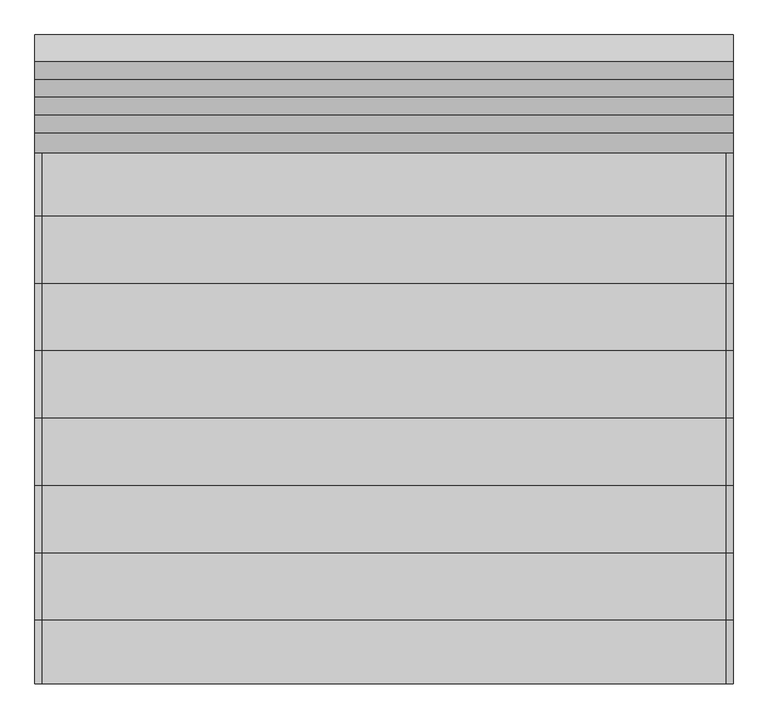
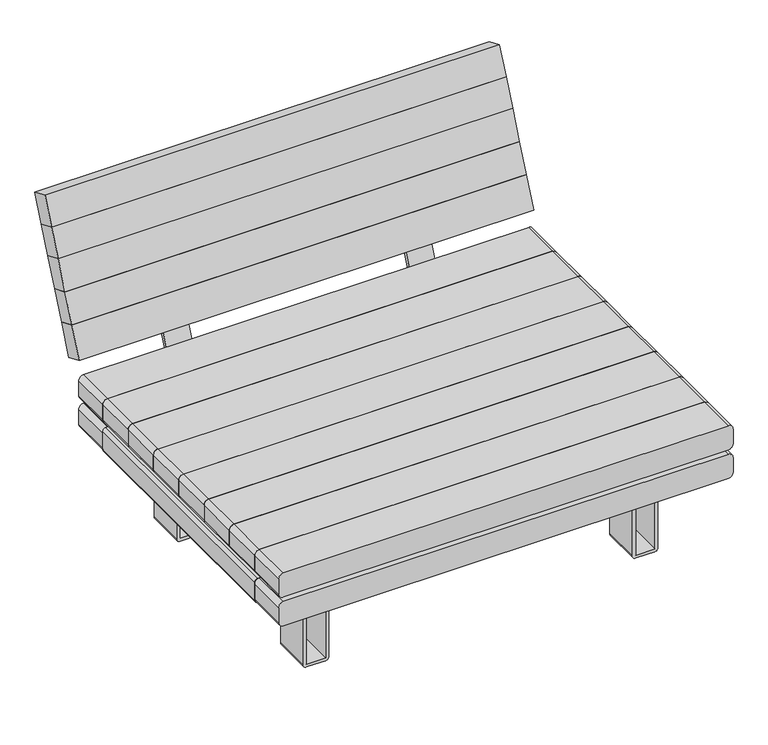
"""IFC4 building model written with IfcOpenShell, lengths in millimetres: furniture geometry."""

from ifc_helpers import new_model, si_unit, point, frame, frame_2d, origin, place, context, project, spatial, polyline, circle_curve, trimmed, segment, composite_curve, outline, extrude, source, transform, mapped, element, save


def furniture_a471abc2(model_context):
    return source(origin(), model_context, "Body", "SweptSolid", [
        extrude(outline(composite_curve([segment(polyline([(748.3212957, 832.5994897), (702.296053, 852.1360461), (706.9848266, 863.1821043), (752.0895644, 844.036279)]), True, "CONTINUOUS"), segment(trimmed(circle_curve(frame_2d((747.0100597, 832.0697159)), 13.0), [point((752.0895644, 844.036279))], [point((758.9766228, 826.9902113))], False, "CARTESIAN"), True, "CONTINUOUS"), segment(polyline([(758.9766228, 826.9902113), (564.4903562, 368.80928)]), True, "CONTINUOUS"), segment(trimmed(circle_curve(frame_2d((543.3187446, 377.7960959)), 23.0), [point((564.4903562, 368.80928))], [point((543.3187446, 354.7960959))], False, "CARTESIAN"), True, "CONTINUOUS"), segment(polyline([(543.3187446, 354.7960959), (148.5421125, 354.7960959), (148.5421125, 366.7960959), (543.9806301, 366.7960959)]), True, "CONTINUOUS"), segment(trimmed(circle_curve(frame_2d((543.9806301, 376.7960959)), 10.0), [point((543.9806301, 366.7960959))], [point((553.1856787, 372.8887847))], True, "CARTESIAN"), True, "CONTINUOUS"), segment(polyline([(553.1856787, 372.8887847), (748.3212957, 832.5994897)]), True, "CONTINUOUS")], self_intersect=False)), frame((341.74, 0.0, 0.0), z_axis=(1.0, 0.0, 0.0), x_axis=(0.0, 1.0, 0.0)), (0.0, 0.0, 1.0), 80.0),
        extrude(outline(composite_curve([segment(polyline([(748.3212957, 832.5994897), (702.296053, 852.1360461), (706.9848266, 863.1821043), (752.0895644, 844.036279)]), True, "CONTINUOUS"), segment(trimmed(circle_curve(frame_2d((747.0100597, 832.0697159)), 13.0), [point((752.0895644, 844.036279))], [point((758.9766228, 826.9902113))], False, "CARTESIAN"), True, "CONTINUOUS"), segment(polyline([(758.9766228, 826.9902113), (564.4903562, 368.80928)]), True, "CONTINUOUS"), segment(trimmed(circle_curve(frame_2d((543.3187446, 377.7960959)), 23.0), [point((564.4903562, 368.80928))], [point((543.3187446, 354.7960959))], False, "CARTESIAN"), True, "CONTINUOUS"), segment(polyline([(543.3187446, 354.7960959), (148.5421125, 354.7960959), (148.5421125, 366.7960959), (543.9806301, 366.7960959)]), True, "CONTINUOUS"), segment(trimmed(circle_curve(frame_2d((543.9806301, 376.7960959)), 10.0), [point((543.9806301, 366.7960959))], [point((553.1856787, 372.8887847))], True, "CARTESIAN"), True, "CONTINUOUS"), segment(polyline([(553.1856787, 372.8887847), (748.3212957, 832.5994897)]), True, "CONTINUOUS")], self_intersect=False)), frame((-421.74, 0.0, 0.0), z_axis=(1.0, 0.0, 0.0), x_axis=(0.0, 1.0, 0.0)), (0.0, 0.0, 1.0), 80.0),
        extrude(outline(composite_curve([segment(polyline([(10.0, 558.145621), (264.9560959, 558.145621), (264.9560959, 598.3536689), (274.7960959, 598.3536689), (274.7960959, 558.305621)]), True, "CONTINUOUS"), segment(trimmed(circle_curve(frame_2d((264.7960959, 558.305621)), 10.0), [point((274.7960959, 558.305621))], [point((264.7960959, 548.305621))], False, "CARTESIAN"), True, "CONTINUOUS"), segment(polyline([(264.7960959, 548.305621), (9.84, 548.305621), (9.84, 487.689525), (264.7960959, 487.689525)]), True, "CONTINUOUS"), segment(trimmed(circle_curve(frame_2d((264.7960959, 477.689525)), 10.0), [point((264.7960959, 487.689525))], [point((274.7960959, 477.689525))], False, "CARTESIAN"), True, "CONTINUOUS"), segment(polyline([(274.7960959, 477.689525), (274.7960959, 437.641477), (264.9560959, 437.641477), (264.9560959, 477.849525), (10.0, 477.849525)]), True, "CONTINUOUS"), segment(trimmed(circle_curve(frame_2d((10.0, 487.849525)), 10.0), [point((10.0, 477.849525))], [point((0.0, 487.849525))], False, "CARTESIAN"), True, "CONTINUOUS"), segment(polyline([(0.0, 487.849525), (0.0, 548.145621)]), True, "CONTINUOUS"), segment(trimmed(circle_curve(frame_2d((10.0, 548.145621)), 10.0), [point((0.0, 548.145621))], [point((10.0, 558.145621))], False, "CARTESIAN"), True, "CONTINUOUS")], self_intersect=False)), frame((0.0, 283.5, 0.0), z_axis=(0.0, 1.0, 0.0), x_axis=(0.0, 0.0, 1.0)), (0.0, 0.0, 1.0), 123.0),
        extrude(outline(composite_curve([segment(trimmed(circle_curve(frame_2d((10.0, -548.145621)), 10.0), [point((10.0, -558.145621))], [point((0.0, -548.145621))], False, "CARTESIAN"), True, "CONTINUOUS"), segment(polyline([(0.0, -548.145621), (0.0, -487.849525)]), True, "CONTINUOUS"), segment(trimmed(circle_curve(frame_2d((10.0, -487.849525)), 10.0), [point((0.0, -487.849525))], [point((10.0, -477.849525))], False, "CARTESIAN"), True, "CONTINUOUS"), segment(polyline([(10.0, -477.849525), (264.9560959, -477.849525), (264.9560959, -437.641477), (274.7960959, -437.641477), (274.7960959, -477.689525)]), True, "CONTINUOUS"), segment(trimmed(circle_curve(frame_2d((264.7960959, -477.689525)), 10.0), [point((274.7960959, -477.689525))], [point((264.7960959, -487.689525))], False, "CARTESIAN"), True, "CONTINUOUS"), segment(polyline([(264.7960959, -487.689525), (9.84, -487.689525), (9.84, -548.305621), (264.7960959, -548.305621)]), True, "CONTINUOUS"), segment(trimmed(circle_curve(frame_2d((264.7960959, -558.305621)), 10.0), [point((264.7960959, -548.305621))], [point((274.7960959, -558.305621))], False, "CARTESIAN"), True, "CONTINUOUS"), segment(polyline([(274.7960959, -558.305621), (274.7960959, -598.3536689), (264.9560959, -598.3536689), (264.9560959, -558.145621), (10.0, -558.145621)]), True, "CONTINUOUS")], self_intersect=False)), frame((0.0, 283.5, 0.0), z_axis=(0.0, 1.0, 0.0), x_axis=(0.0, 0.0, 1.0)), (0.0, 0.0, 1.0), 123.0),
        extrude(outline(composite_curve([segment(polyline([(10.0, 558.145621), (264.9560959, 558.145621), (264.9560959, 598.3536689), (274.7960959, 598.3536689), (274.7960959, 558.305621)]), True, "CONTINUOUS"), segment(trimmed(circle_curve(frame_2d((264.7960959, 558.305621)), 10.0), [point((274.7960959, 558.305621))], [point((264.7960959, 548.305621))], False, "CARTESIAN"), True, "CONTINUOUS"), segment(polyline([(264.7960959, 548.305621), (9.84, 548.305621), (9.84, 487.689525), (264.7960959, 487.689525)]), True, "CONTINUOUS"), segment(trimmed(circle_curve(frame_2d((264.7960959, 477.689525)), 10.0), [point((264.7960959, 487.689525))], [point((274.7960959, 477.689525))], False, "CARTESIAN"), True, "CONTINUOUS"), segment(polyline([(274.7960959, 477.689525), (274.7960959, 437.641477), (264.9560959, 437.641477), (264.9560959, 477.849525), (10.0, 477.849525)]), True, "CONTINUOUS"), segment(trimmed(circle_curve(frame_2d((10.0, 487.849525)), 10.0), [point((10.0, 477.849525))], [point((0.0, 487.849525))], False, "CARTESIAN"), True, "CONTINUOUS"), segment(polyline([(0.0, 487.849525), (0.0, 548.145621)]), True, "CONTINUOUS"), segment(trimmed(circle_curve(frame_2d((10.0, 548.145621)), 10.0), [point((0.0, 548.145621))], [point((10.0, 558.145621))], False, "CARTESIAN"), True, "CONTINUOUS")], self_intersect=False)), frame((0.0, -406.5, 0.0), z_axis=(0.0, 1.0, 0.0), x_axis=(0.0, 0.0, 1.0)), (0.0, 0.0, 1.0), 123.0),
        extrude(outline(composite_curve([segment(polyline([(344.7960959, 333.61), (284.7960959, 333.61)]), True, "CONTINUOUS"), segment(trimmed(circle_curve(frame_2d((284.7960959, 343.61)), 10.0), [point((284.7960959, 333.61))], [point((274.7960959, 343.61))], False, "CARTESIAN"), True, "CONTINUOUS"), segment(polyline([(274.7960959, 343.61), (274.7960959, 705.0)]), True, "CONTINUOUS"), segment(trimmed(circle_curve(frame_2d((284.7960959, 705.0)), 10.0), [point((274.7960959, 705.0))], [point((284.7960959, 715.0))], False, "CARTESIAN"), True, "CONTINUOUS"), segment(polyline([(284.7960959, 715.0), (344.7960959, 715.0)]), True, "CONTINUOUS"), segment(trimmed(circle_curve(frame_2d((344.7960959, 705.0)), 10.0), [point((344.7960959, 715.0))], [point((354.7960959, 705.0))], False, "CARTESIAN"), True, "CONTINUOUS"), segment(polyline([(354.7960959, 705.0), (354.7960959, 343.61)]), True, "CONTINUOUS"), segment(trimmed(circle_curve(frame_2d((344.7960959, 343.61)), 10.0), [point((354.7960959, 343.61))], [point((344.7960959, 333.61))], False, "CARTESIAN"), True, "CONTINUOUS")], self_intersect=False)), frame((0.0, -414.0, 0.0), z_axis=(0.0, 1.0, 0.0), x_axis=(0.0, 0.0, 1.0)), (0.0, 0.0, 1.0), 828.0),
        extrude(outline(composite_curve([segment(trimmed(circle_curve(frame_2d((10.0, -548.145621)), 10.0), [point((10.0, -558.145621))], [point((0.0, -548.145621))], False, "CARTESIAN"), True, "CONTINUOUS"), segment(polyline([(0.0, -548.145621), (0.0, -487.849525)]), True, "CONTINUOUS"), segment(trimmed(circle_curve(frame_2d((10.0, -487.849525)), 10.0), [point((0.0, -487.849525))], [point((10.0, -477.849525))], False, "CARTESIAN"), True, "CONTINUOUS"), segment(polyline([(10.0, -477.849525), (264.9560959, -477.849525), (264.9560959, -437.641477), (274.7960959, -437.641477), (274.7960959, -477.689525)]), True, "CONTINUOUS"), segment(trimmed(circle_curve(frame_2d((264.7960959, -477.689525)), 10.0), [point((274.7960959, -477.689525))], [point((264.7960959, -487.689525))], False, "CARTESIAN"), True, "CONTINUOUS"), segment(polyline([(264.7960959, -487.689525), (9.84, -487.689525), (9.84, -548.305621), (264.7960959, -548.305621)]), True, "CONTINUOUS"), segment(trimmed(circle_curve(frame_2d((264.7960959, -558.305621)), 10.0), [point((264.7960959, -548.305621))], [point((274.7960959, -558.305621))], False, "CARTESIAN"), True, "CONTINUOUS"), segment(polyline([(274.7960959, -558.305621), (274.7960959, -598.3536689), (264.9560959, -598.3536689), (264.9560959, -558.145621), (10.0, -558.145621)]), True, "CONTINUOUS")], self_intersect=False)), frame((0.0, -406.5, 0.0), z_axis=(0.0, 1.0, 0.0), x_axis=(0.0, 0.0, 1.0)), (0.0, 0.0, 1.0), 123.0),
        extrude(outline(composite_curve([segment(trimmed(circle_curve(frame_2d((344.7960959, -343.61)), 10.0), [point((344.7960959, -333.61))], [point((354.7960959, -343.61))], False, "CARTESIAN"), True, "CONTINUOUS"), segment(polyline([(354.7960959, -343.61), (354.7960959, -705.0)]), True, "CONTINUOUS"), segment(trimmed(circle_curve(frame_2d((344.7960959, -705.0)), 10.0), [point((354.7960959, -705.0))], [point((344.7960959, -715.0))], False, "CARTESIAN"), True, "CONTINUOUS"), segment(polyline([(344.7960959, -715.0), (284.7960959, -715.0)]), True, "CONTINUOUS"), segment(trimmed(circle_curve(frame_2d((284.7960959, -705.0)), 10.0), [point((284.7960959, -715.0))], [point((274.7960959, -705.0))], False, "CARTESIAN"), True, "CONTINUOUS"), segment(polyline([(274.7960959, -705.0), (274.7960959, -343.61)]), True, "CONTINUOUS"), segment(trimmed(circle_curve(frame_2d((284.7960959, -343.61)), 10.0), [point((274.7960959, -343.61))], [point((284.7960959, -333.61))], False, "CARTESIAN"), True, "CONTINUOUS"), segment(polyline([(284.7960959, -333.61), (344.7960959, -333.61)]), True, "CONTINUOUS")], self_intersect=False)), frame((0.0, -414.0, 0.0), z_axis=(0.0, 1.0, 0.0), x_axis=(0.0, 0.0, 1.0)), (0.0, 0.0, 1.0), 828.0),
        extrude(outline(polyline([(0.0, -1430.0), (0.0, 0.0), (60.0, 0.0), (60.0, -1430.0), (0.0, -1430.0)])), frame((-715.0, 693.0910045, 856.0433574), z_axis=(0.0, 0.39073112848927966, 0.9205048534524378), x_axis=(0.0, 0.9205048534524378, -0.39073112848927966)), (0.0, 0.0, 1.0), 91.5133528),
        extrude(outline(polyline([(0.0, -1430.0), (0.0, 0.0), (60.0, 0.0), (60.0, -1430.0), (0.0, -1430.0)])), frame((-715.0, 657.5396892, 772.2897071), z_axis=(0.0, 0.39073112848927966, 0.9205048534524378), x_axis=(0.0, 0.9205048534524378, -0.39073112848927966)), (0.0, 0.0, 1.0), 90.9866472),
        extrude(outline(polyline([(0.0, -1430.0), (0.0, 0.0), (60.0, 0.0), (60.0, -1430.0), (0.0, -1430.0)])), frame((-715.0, 620.420232, 684.841746), z_axis=(0.0, 0.39073112848927966, 0.9205048534524378), x_axis=(0.0, 0.9205048534524378, -0.39073112848927966)), (0.0, 0.0, 1.0), 95.0),
        extrude(outline(polyline([(0.0, -1430.0), (0.0, 0.0), (60.0000001, 0.0), (60.0000001, -1430.0), (0.0, -1430.0)])), frame((-715.0, 583.3007747, 597.3937849), z_axis=(0.0, 0.39073112848928065, 0.9205048534524375), x_axis=(0.0, 0.9205048534524375, -0.39073112848928065)), (0.0, 0.0, 1.0), 95.0),
        extrude(outline(polyline([(0.0, -1430.0), (0.0, 0.0), (60.0000001, 0.0), (60.0000001, -1430.0), (0.0, -1430.0)])), frame((-715.0, 543.2564722, 503.0553201), z_axis=(0.0, 0.39073112848928065, 0.9205048534524375), x_axis=(0.0, 0.9205048534524375, -0.39073112848928065)), (0.0, 0.0, 1.0), 102.4855702),
        extrude(outline(composite_curve([segment(polyline([(354.7960959, 700.0), (354.7960959, -700.0)]), True, "CONTINUOUS"), segment(trimmed(circle_curve(frame_2d((339.7960959, -700.0)), 15.0), [point((354.7960959, -700.0))], [point((339.7960959, -715.0))], False, "CARTESIAN"), True, "CONTINUOUS"), segment(polyline([(339.7960959, -715.0), (289.7960959, -715.0)]), True, "CONTINUOUS"), segment(trimmed(circle_curve(frame_2d((289.7960959, -700.0)), 15.0), [point((289.7960959, -715.0))], [point((274.7960959, -700.0))], False, "CARTESIAN"), True, "CONTINUOUS"), segment(polyline([(274.7960959, -700.0), (274.7960959, 700.0)]), True, "CONTINUOUS"), segment(trimmed(circle_curve(frame_2d((289.7960959, 700.0)), 15.0), [point((274.7960959, 700.0))], [point((289.7960959, 715.0))], False, "CARTESIAN"), True, "CONTINUOUS"), segment(polyline([(289.7960959, 715.0), (339.7960959, 715.0)]), True, "CONTINUOUS"), segment(trimmed(circle_curve(frame_2d((339.7960959, 700.0)), 15.0), [point((339.7960959, 715.0))], [point((354.7960959, 700.0))], False, "CARTESIAN"), True, "CONTINUOUS")], self_intersect=False)), frame((0.0, 414.0, 0.0), z_axis=(0.0, 1.0, 0.0), x_axis=(0.0, 0.0, 1.0)), (0.0, 0.0, 1.0), 130.5),
        extrude(outline(composite_curve([segment(polyline([(449.7960959, 700.0), (449.7960959, -700.0)]), True, "CONTINUOUS"), segment(trimmed(circle_curve(frame_2d((434.7960959, -700.0)), 15.0), [point((449.7960959, -700.0))], [point((434.7960959, -715.0))], False, "CARTESIAN"), True, "CONTINUOUS"), segment(polyline([(434.7960959, -715.0), (384.7960959, -715.0)]), True, "CONTINUOUS"), segment(trimmed(circle_curve(frame_2d((384.7960959, -700.0)), 15.0), [point((384.7960959, -715.0))], [point((369.7960959, -700.0))], False, "CARTESIAN"), True, "CONTINUOUS"), segment(polyline([(369.7960959, -700.0), (369.7960959, 700.0)]), True, "CONTINUOUS"), segment(trimmed(circle_curve(frame_2d((384.7960959, 700.0)), 15.0), [point((369.7960959, 700.0))], [point((384.7960959, 715.0))], False, "CARTESIAN"), True, "CONTINUOUS"), segment(polyline([(384.7960959, 715.0), (434.7960959, 715.0)]), True, "CONTINUOUS"), segment(trimmed(circle_curve(frame_2d((434.7960959, 700.0)), 15.0), [point((434.7960959, 715.0))], [point((449.7960959, 700.0))], False, "CARTESIAN"), True, "CONTINUOUS")], self_intersect=False)), frame((0.0, 414.0, 0.0), z_axis=(0.0, 1.0, 0.0), x_axis=(0.0, 0.0, 1.0)), (0.0, 0.0, 1.0), 130.5),
        extrude(outline(composite_curve([segment(polyline([(449.7960959, 700.0), (449.7960959, -700.0)]), True, "CONTINUOUS"), segment(trimmed(circle_curve(frame_2d((434.7960959, -700.0)), 15.0), [point((449.7960959, -700.0))], [point((434.7960959, -715.0))], False, "CARTESIAN"), True, "CONTINUOUS"), segment(polyline([(434.7960959, -715.0), (384.7960959, -715.0)]), True, "CONTINUOUS"), segment(trimmed(circle_curve(frame_2d((384.7960959, -700.0)), 15.0), [point((384.7960959, -715.0))], [point((369.7960959, -700.0))], False, "CARTESIAN"), True, "CONTINUOUS"), segment(polyline([(369.7960959, -700.0), (369.7960959, 700.0)]), True, "CONTINUOUS"), segment(trimmed(circle_curve(frame_2d((384.7960959, 700.0)), 15.0), [point((369.7960959, 700.0))], [point((384.7960959, 715.0))], False, "CARTESIAN"), True, "CONTINUOUS"), segment(polyline([(384.7960959, 715.0), (434.7960959, 715.0)]), True, "CONTINUOUS"), segment(trimmed(circle_curve(frame_2d((434.7960959, 700.0)), 15.0), [point((434.7960959, 715.0))], [point((449.7960959, 700.0))], False, "CARTESIAN"), True, "CONTINUOUS")], self_intersect=False)), frame((0.0, 276.0, 0.0), z_axis=(0.0, 1.0, 0.0), x_axis=(0.0, 0.0, 1.0)), (0.0, 0.0, 1.0), 138.0),
        extrude(outline(composite_curve([segment(polyline([(449.7960959, 700.0), (449.7960959, -700.0)]), True, "CONTINUOUS"), segment(trimmed(circle_curve(frame_2d((434.7960959, -700.0)), 15.0), [point((449.7960959, -700.0))], [point((434.7960959, -715.0))], False, "CARTESIAN"), True, "CONTINUOUS"), segment(polyline([(434.7960959, -715.0), (384.7960959, -715.0)]), True, "CONTINUOUS"), segment(trimmed(circle_curve(frame_2d((384.7960959, -700.0)), 15.0), [point((384.7960959, -715.0))], [point((369.7960959, -700.0))], False, "CARTESIAN"), True, "CONTINUOUS"), segment(polyline([(369.7960959, -700.0), (369.7960959, 700.0)]), True, "CONTINUOUS"), segment(trimmed(circle_curve(frame_2d((384.7960959, 700.0)), 15.0), [point((369.7960959, 700.0))], [point((384.7960959, 715.0))], False, "CARTESIAN"), True, "CONTINUOUS"), segment(polyline([(384.7960959, 715.0), (434.7960959, 715.0)]), True, "CONTINUOUS"), segment(trimmed(circle_curve(frame_2d((434.7960959, 700.0)), 15.0), [point((434.7960959, 715.0))], [point((449.7960959, 700.0))], False, "CARTESIAN"), True, "CONTINUOUS")], self_intersect=False)), frame((0.0, 138.0, 0.0), z_axis=(0.0, 1.0, 0.0), x_axis=(0.0, 0.0, 1.0)), (0.0, 0.0, 1.0), 138.0),
        extrude(outline(composite_curve([segment(polyline([(449.7960959, 700.0), (449.7960959, -700.0)]), True, "CONTINUOUS"), segment(trimmed(circle_curve(frame_2d((434.7960959, -700.0)), 15.0), [point((449.7960959, -700.0))], [point((434.7960959, -715.0))], False, "CARTESIAN"), True, "CONTINUOUS"), segment(polyline([(434.7960959, -715.0), (384.7960959, -715.0)]), True, "CONTINUOUS"), segment(trimmed(circle_curve(frame_2d((384.7960959, -700.0)), 15.0), [point((384.7960959, -715.0))], [point((369.7960959, -700.0))], False, "CARTESIAN"), True, "CONTINUOUS"), segment(polyline([(369.7960959, -700.0), (369.7960959, 700.0)]), True, "CONTINUOUS"), segment(trimmed(circle_curve(frame_2d((384.7960959, 700.0)), 15.0), [point((369.7960959, 700.0))], [point((384.7960959, 715.0))], False, "CARTESIAN"), True, "CONTINUOUS"), segment(polyline([(384.7960959, 715.0), (434.7960959, 715.0)]), True, "CONTINUOUS"), segment(trimmed(circle_curve(frame_2d((434.7960959, 700.0)), 15.0), [point((434.7960959, 715.0))], [point((449.7960959, 700.0))], False, "CARTESIAN"), True, "CONTINUOUS")], self_intersect=False)), frame((0.0, 0.0, 0.0), z_axis=(0.0, 1.0, 0.0), x_axis=(0.0, 0.0, 1.0)), (0.0, 0.0, 1.0), 138.0),
        extrude(outline(composite_curve([segment(polyline([(449.7960959, 700.0), (449.7960959, -700.0)]), True, "CONTINUOUS"), segment(trimmed(circle_curve(frame_2d((434.7960959, -700.0)), 15.0), [point((449.7960959, -700.0))], [point((434.7960959, -715.0))], False, "CARTESIAN"), True, "CONTINUOUS"), segment(polyline([(434.7960959, -715.0), (384.7960959, -715.0)]), True, "CONTINUOUS"), segment(trimmed(circle_curve(frame_2d((384.7960959, -700.0)), 15.0), [point((384.7960959, -715.0))], [point((369.7960959, -700.0))], False, "CARTESIAN"), True, "CONTINUOUS"), segment(polyline([(369.7960959, -700.0), (369.7960959, 700.0)]), True, "CONTINUOUS"), segment(trimmed(circle_curve(frame_2d((384.7960959, 700.0)), 15.0), [point((369.7960959, 700.0))], [point((384.7960959, 715.0))], False, "CARTESIAN"), True, "CONTINUOUS"), segment(polyline([(384.7960959, 715.0), (434.7960959, 715.0)]), True, "CONTINUOUS"), segment(trimmed(circle_curve(frame_2d((434.7960959, 700.0)), 15.0), [point((434.7960959, 715.0))], [point((449.7960959, 700.0))], False, "CARTESIAN"), True, "CONTINUOUS")], self_intersect=False)), frame((0.0, -138.0, 0.0), z_axis=(0.0, 1.0, 0.0), x_axis=(0.0, 0.0, 1.0)), (0.0, 0.0, 1.0), 138.0),
        extrude(outline(composite_curve([segment(polyline([(449.7960959, 700.0), (449.7960959, -700.0)]), True, "CONTINUOUS"), segment(trimmed(circle_curve(frame_2d((434.7960959, -700.0)), 15.0), [point((449.7960959, -700.0))], [point((434.7960959, -715.0))], False, "CARTESIAN"), True, "CONTINUOUS"), segment(polyline([(434.7960959, -715.0), (384.7960959, -715.0)]), True, "CONTINUOUS"), segment(trimmed(circle_curve(frame_2d((384.7960959, -700.0)), 15.0), [point((384.7960959, -715.0))], [point((369.7960959, -700.0))], False, "CARTESIAN"), True, "CONTINUOUS"), segment(polyline([(369.7960959, -700.0), (369.7960959, 700.0)]), True, "CONTINUOUS"), segment(trimmed(circle_curve(frame_2d((384.7960959, 700.0)), 15.0), [point((369.7960959, 700.0))], [point((384.7960959, 715.0))], False, "CARTESIAN"), True, "CONTINUOUS"), segment(polyline([(384.7960959, 715.0), (434.7960959, 715.0)]), True, "CONTINUOUS"), segment(trimmed(circle_curve(frame_2d((434.7960959, 700.0)), 15.0), [point((434.7960959, 715.0))], [point((449.7960959, 700.0))], False, "CARTESIAN"), True, "CONTINUOUS")], self_intersect=False)), frame((0.0, -276.0, 0.0), z_axis=(0.0, 1.0, 0.0), x_axis=(0.0, 0.0, 1.0)), (0.0, 0.0, 1.0), 138.0),
        extrude(outline(composite_curve([segment(polyline([(449.7960959, 700.0), (449.7960959, -700.0)]), True, "CONTINUOUS"), segment(trimmed(circle_curve(frame_2d((434.7960959, -700.0)), 15.0), [point((449.7960959, -700.0))], [point((434.7960959, -715.0))], False, "CARTESIAN"), True, "CONTINUOUS"), segment(polyline([(434.7960959, -715.0), (384.7960959, -715.0)]), True, "CONTINUOUS"), segment(trimmed(circle_curve(frame_2d((384.7960959, -700.0)), 15.0), [point((384.7960959, -715.0))], [point((369.7960959, -700.0))], False, "CARTESIAN"), True, "CONTINUOUS"), segment(polyline([(369.7960959, -700.0), (369.7960959, 700.0)]), True, "CONTINUOUS"), segment(trimmed(circle_curve(frame_2d((384.7960959, 700.0)), 15.0), [point((369.7960959, 700.0))], [point((384.7960959, 715.0))], False, "CARTESIAN"), True, "CONTINUOUS"), segment(polyline([(384.7960959, 715.0), (434.7960959, 715.0)]), True, "CONTINUOUS"), segment(trimmed(circle_curve(frame_2d((434.7960959, 700.0)), 15.0), [point((434.7960959, 715.0))], [point((449.7960959, 700.0))], False, "CARTESIAN"), True, "CONTINUOUS")], self_intersect=False)), frame((0.0, -414.0, 0.0), z_axis=(0.0, 1.0, 0.0), x_axis=(0.0, 0.0, 1.0)), (0.0, 0.0, 1.0), 138.0),
        extrude(outline(composite_curve([segment(polyline([(354.7960959, 700.0), (354.7960959, -700.0)]), True, "CONTINUOUS"), segment(trimmed(circle_curve(frame_2d((339.7960959, -700.0)), 15.0), [point((354.7960959, -700.0))], [point((339.7960959, -715.0))], False, "CARTESIAN"), True, "CONTINUOUS"), segment(polyline([(339.7960959, -715.0), (289.7960959, -715.0)]), True, "CONTINUOUS"), segment(trimmed(circle_curve(frame_2d((289.7960959, -700.0)), 15.0), [point((289.7960959, -715.0))], [point((274.7960959, -700.0))], False, "CARTESIAN"), True, "CONTINUOUS"), segment(polyline([(274.7960959, -700.0), (274.7960959, 700.0)]), True, "CONTINUOUS"), segment(trimmed(circle_curve(frame_2d((289.7960959, 700.0)), 15.0), [point((274.7960959, 700.0))], [point((289.7960959, 715.0))], False, "CARTESIAN"), True, "CONTINUOUS"), segment(polyline([(289.7960959, 715.0), (339.7960959, 715.0)]), True, "CONTINUOUS"), segment(trimmed(circle_curve(frame_2d((339.7960959, 700.0)), 15.0), [point((339.7960959, 715.0))], [point((354.7960959, 700.0))], False, "CARTESIAN"), True, "CONTINUOUS")], self_intersect=False)), frame((0.0, -544.5, 0.0), z_axis=(0.0, 1.0, 0.0), x_axis=(0.0, 0.0, 1.0)), (0.0, 0.0, 1.0), 130.5),
        extrude(outline(composite_curve([segment(polyline([(449.7960959, 700.0), (449.7960959, -700.0)]), True, "CONTINUOUS"), segment(trimmed(circle_curve(frame_2d((434.7960959, -700.0)), 15.0), [point((449.7960959, -700.0))], [point((434.7960959, -715.0))], False, "CARTESIAN"), True, "CONTINUOUS"), segment(polyline([(434.7960959, -715.0), (384.7960959, -715.0)]), True, "CONTINUOUS"), segment(trimmed(circle_curve(frame_2d((384.7960959, -700.0)), 15.0), [point((384.7960959, -715.0))], [point((369.7960959, -700.0))], False, "CARTESIAN"), True, "CONTINUOUS"), segment(polyline([(369.7960959, -700.0), (369.7960959, 700.0)]), True, "CONTINUOUS"), segment(trimmed(circle_curve(frame_2d((384.7960959, 700.0)), 15.0), [point((369.7960959, 700.0))], [point((384.7960959, 715.0))], False, "CARTESIAN"), True, "CONTINUOUS"), segment(polyline([(384.7960959, 715.0), (434.7960959, 715.0)]), True, "CONTINUOUS"), segment(trimmed(circle_curve(frame_2d((434.7960959, 700.0)), 15.0), [point((434.7960959, 715.0))], [point((449.7960959, 700.0))], False, "CARTESIAN"), True, "CONTINUOUS")], self_intersect=False)), frame((0.0, -544.5, 0.0), z_axis=(0.0, 1.0, 0.0), x_axis=(0.0, 0.0, 1.0)), (0.0, 0.0, 1.0), 130.5),
    ])


if __name__ == "__main__":
    model = new_model("IFC4")
    model_context = context("Model", 3, world=origin())
    ifc_project = project(units=[si_unit("LENGTHUNIT", "METRE", prefix="MILLI")], contexts=[model_context])
    site = spatial("IfcSite", under=ifc_project)
    building = spatial("IfcBuilding", under=site)
    placement = place(None, origin())
    furniture_shape = furniture_a471abc2(model_context)
    element("IfcFurniture", 1, at=placement, inside=building, context=model_context, shape_type="MappedRepresentation", body=[
        mapped(furniture_shape, transform((0.0, 0.0, 0.0), x_axis=(1.0, 0.0, 0.0), y_axis=(0.0, 1.0, 0.0), z_axis=(0.0, 0.0, 1.0))),
    ])
    save(model, "model.ifc")
